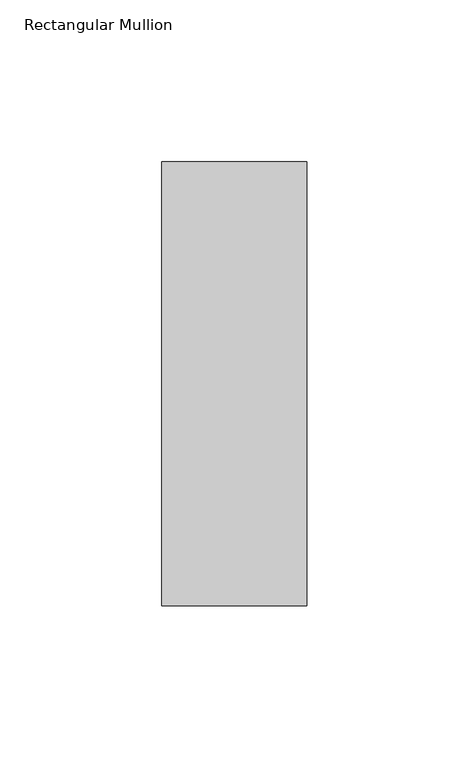
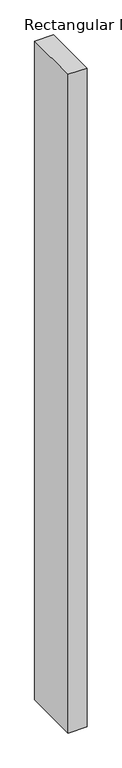
"""IFC4 building model written with IfcOpenShell, lengths in millimetres: member geometry, Rectangular Mullion."""

from ifc_helpers import new_model, si_unit, frame, origin, place, context, project, spatial, polyline, outline, extrude, source, transform, mapped, element, save


def rectangular_mullion_046bd725(model_context):
    return source(origin(), model_context, "Body", "SweptSolid", [
        extrude(outline(polyline([(22.5, 84.19375), (22.5, -53.19375), (-22.5, -53.19375), (-22.5, 84.19375), (22.5, 84.19375)])), frame((0.0, 0.0, -1650.6976981), z_axis=(0.0, 0.0, 1.0), x_axis=(1.0, 0.0, 0.0)), (0.0, 0.0, 1.0), 1650.6976981),
    ])


if __name__ == "__main__":
    model = new_model("IFC4")
    model_context = context("Model", 3, world=origin())
    ifc_project = project(units=[si_unit("LENGTHUNIT", "METRE", prefix="MILLI")], contexts=[model_context])
    site = spatial("IfcSite", under=ifc_project)
    building = spatial("IfcBuilding", under=site)
    placement = place(None, origin())
    rectangular_mullion_shape = rectangular_mullion_046bd725(model_context)
    element("IfcMember", 1, ObjectType="Rectangular Mullion", at=placement, inside=building, context=model_context, shape_type="MappedRepresentation", body=[
        mapped(rectangular_mullion_shape, transform((0.0, 0.0, 0.0), x_axis=(1.0, 0.0, 0.0), y_axis=(0.0, 1.0, 0.0), z_axis=(0.0, 0.0, 1.0))),
    ])
    save(model, "model.ifc")
